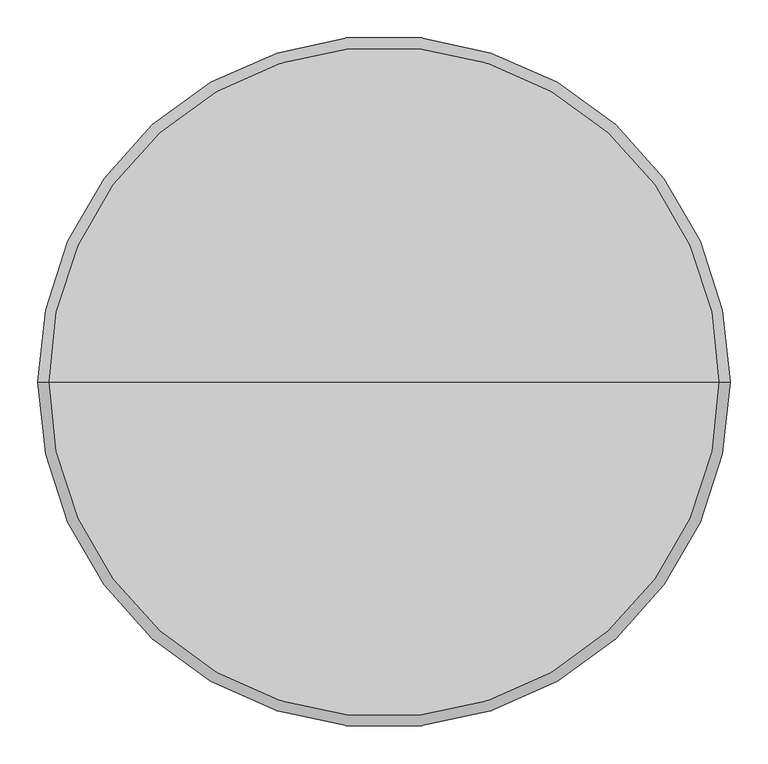
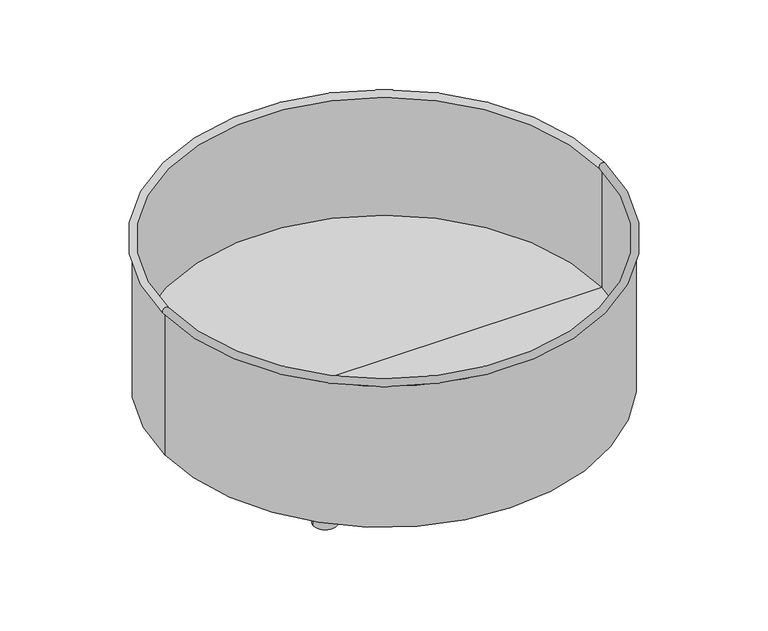
"""IFC4 building model written with IfcOpenShell, lengths in millimetres: furniture geometry."""

from ifc_helpers import new_model, si_unit, point, frame, frame_2d, origin, origin_with_axes, place, context, project, spatial, polyline, circle_curve, ellipse_curve, trimmed, segment, composite_curve, outline, extrude, source, transform, mapped, element, save
from ifc_brep_helpers import plane_surface, cylinder_surface, revolved_surface, advanced_brep


def furniture_4a39259b(model_context):
    return source(origin(), model_context, "Body", "SolidModel", [
        extrude(outline(composite_curve([segment(trimmed(circle_curve(frame_2d((-286.0066445, -286.087002)), 24.0), [point((-310.0066445, -286.087002))], [point((-262.0066445, -286.087002))], False, "CARTESIAN"), True, "CONTINUOUS"), segment(trimmed(circle_curve(frame_2d((-286.0066445, -286.087002)), 24.0), [point((-262.0066445, -286.087002))], [point((-310.0066445, -286.087002))], False, "CARTESIAN"), True, "CONTINUOUS")], self_intersect=False)), origin_with_axes(), (0.0, 0.0, 1.0), 30.0000195),
        extrude(outline(composite_curve([segment(trimmed(circle_curve(frame_2d((-286.0066445, 286.087002)), 24.0), [point((-310.0066445, 286.087002))], [point((-262.0066445, 286.087002))], False, "CARTESIAN"), True, "CONTINUOUS"), segment(trimmed(circle_curve(frame_2d((-286.0066445, 286.087002)), 24.0), [point((-262.0066445, 286.087002))], [point((-310.0066445, 286.087002))], False, "CARTESIAN"), True, "CONTINUOUS")], self_intersect=False)), origin_with_axes(), (0.0, 0.0, 1.0), 30.0000195),
        extrude(outline(composite_curve([segment(trimmed(circle_curve(frame_2d((286.0066445, -286.087002)), 24.0), [point((310.0066445, -286.087002))], [point((262.0066445, -286.087002))], False, "CARTESIAN"), True, "CONTINUOUS"), segment(trimmed(circle_curve(frame_2d((286.0066445, -286.087002)), 24.0), [point((262.0066445, -286.087002))], [point((310.0066445, -286.087002))], False, "CARTESIAN"), True, "CONTINUOUS")], self_intersect=False)), origin_with_axes(), (0.0, 0.0, 1.0), 30.0000195),
        extrude(outline(composite_curve([segment(trimmed(circle_curve(frame_2d((286.0066445, 286.087002)), 24.0), [point((310.0066445, 286.087002))], [point((262.0066445, 286.087002))], False, "CARTESIAN"), True, "CONTINUOUS"), segment(trimmed(circle_curve(frame_2d((286.0066445, 286.087002)), 24.0), [point((262.0066445, 286.087002))], [point((310.0066445, 286.087002))], False, "CARTESIAN"), True, "CONTINUOUS")], self_intersect=False)), origin_with_axes(), (0.0, 0.0, 1.0), 30.0000195),
        advanced_brep(
        [(-447.0101323, 0.0, 80.0000195), (447.0101323, 0.0, 80.0000195), (447.0101323, 0.0, 336.1569358), (-447.0101323, 0.0, 336.1569358), (0.0, 0.0, 80.0000195), (-450.0004671, 0.0, 30.0000195), (450.0004671, 0.0, 30.0000195), (0.0, 0.0, 30.0000195), (-450.0004671, 0.0, 336.1562695), (450.0004671, 0.0, 336.1562695)],
        [
            (0, 1, circle_curve(frame((0.0, 0.0, 80.0000195), z_axis=(0.0, 0.0, -1.0), x_axis=(1.0, 0.0, 0.0)), 447.0101323)),
            (1, 2),
            (2, 3, circle_curve(frame((0.0, 0.0, 336.1569358), z_axis=(0.0, 0.0, 1.0), x_axis=(1.0, 0.0, 0.0)), 447.0101323)),
            (3, 0),
            (1, 0, circle_curve(frame((0.0, 0.0, 80.0000195), z_axis=(0.0, 0.0, -1.0), x_axis=(1.0, 0.0, 0.0)), 447.0101323)),
            (3, 2, circle_curve(frame((0.0, 0.0, 336.1569358), z_axis=(0.0, 0.0, 1.0), x_axis=(1.0, 0.0, 0.0)), 447.0101323)),
            (4, 1),
            (0, 4),
            (5, 6, circle_curve(frame((0.0, 0.0, 30.0000195), z_axis=(0.0, 0.0, -1.0), x_axis=(1.0, 0.0, 0.0)), 450.0004671)),
            (6, 7),
            (7, 5),
            (6, 5, circle_curve(frame((0.0, 0.0, 30.0000195), z_axis=(0.0, 0.0, -1.0), x_axis=(1.0, 0.0, 0.0)), 450.0004671)),
            (8, 9, circle_curve(frame((0.0, 0.0, 336.1562695), z_axis=(0.0, 0.0, -1.0), x_axis=(1.0, 0.0, 0.0)), 450.0004671)),
            (9, 6),
            (5, 8),
            (9, 8, circle_curve(frame((0.0, 0.0, 336.1562695), z_axis=(0.0, 0.0, -1.0), x_axis=(1.0, 0.0, 0.0)), 450.0004671)),
            (2, 9, circle_curve(frame((448.5068235, 0.0, 342.995058), z_axis=(0.0, 1.0, 0.0), x_axis=(1.0, 0.0, 0.0)), 7.0)),
            (8, 3, circle_curve(frame((-448.5068235, 0.0, 342.995058), z_axis=(0.0, 1.0, 0.0), x_axis=(-1.0, 0.0, 0.0)), 7.0)),
        ],
        [
            revolved_surface(polyline([(447.0101323, 0.0, 336.1569357999999), (447.0101323, 0.0, 80.00001950000001)]), (0.0, 0.0, 1997.4144888), (0.0, 0.0, 1.0)),
            plane_surface(frame((0.0, 0.0, 80.0000195), z_axis=(0.0, 0.0, 1.0), x_axis=(1.0, 0.0, 0.0))),
            plane_surface(frame((0.0, 0.0, 30.0000195), z_axis=(0.0, 0.0, -1.0), x_axis=(1.0, 0.0, 0.0))),
            cylinder_surface(frame((0.0, 0.0, 1997.4144888), z_axis=(0.0, 0.0, 1.0), x_axis=(1.0, 0.0, 0.0)), 450.0004671),
            revolved_surface(trimmed(ellipse_curve(frame((448.5068235, 0.0, 342.995058), z_axis=(0.0, -1.0, 0.0), x_axis=(1.0, 0.0, 0.0)), 7.0, 7.0), [point((450.0004671, 0.0, 336.1562695))], [point((447.0101323, 0.0, 336.1569358))], True, "CARTESIAN"), (0.0, 0.0, 1997.4144888), (0.0, 0.0, 1.0)),
        ],
        [
            (0, [[1, 2, 3, 4]]),
            (0, [[5, -4, 6, -2]]),
            (1, [[7, -1, 8]]),
            (1, [[-8, -5, -7]]),
            (2, [[9, 10, 11]]),
            (2, [[12, -11, -10]]),
            (3, [[13, 14, -9, 15]]),
            (3, [[16, -15, -12, -14]]),
            (4, [[-3, 17, -13, 18]]),
            (4, [[-6, -18, -16, -17]]),
        ],
    ),
    ])


if __name__ == "__main__":
    model = new_model("IFC4")
    model_context = context("Model", 3, world=origin())
    ifc_project = project(units=[si_unit("LENGTHUNIT", "METRE", prefix="MILLI")], contexts=[model_context])
    site = spatial("IfcSite", under=ifc_project)
    building = spatial("IfcBuilding", under=site)
    placement = place(None, origin())
    furniture_shape = furniture_4a39259b(model_context)
    element("IfcFurniture", 1, at=placement, inside=building, context=model_context, shape_type="MappedRepresentation", body=[
        mapped(furniture_shape, transform((0.0, 0.0, 0.0), x_axis=(1.0, 0.0, 0.0), y_axis=(0.0, 1.0, 0.0), z_axis=(0.0, 0.0, 1.0))),
    ])
    save(model, "model.ifc")
